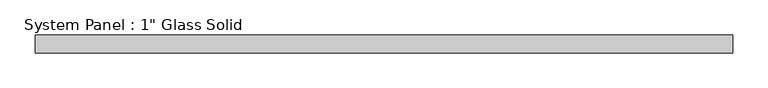
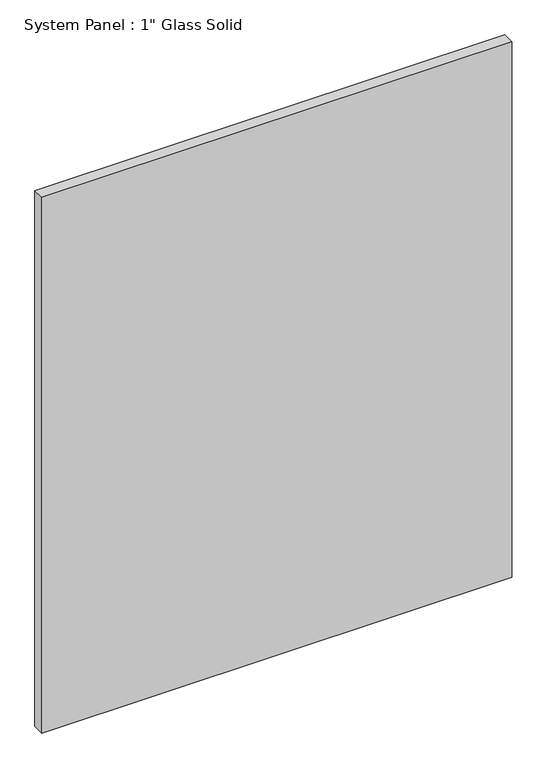
"""IFC4 building model written with IfcOpenShell, lengths in millimetres: plate geometry."""

from ifc_helpers import new_model, si_unit, origin, origin_with_axes, place, context, project, spatial, polyline, outline, extrude, source, transform, mapped, element, save


def plate_26517b23(model_context):
    return source(origin(), model_context, "Body", "SweptSolid", [
        extrude(outline(polyline([(495.3, -12.7), (-495.3, -12.7), (-495.3, 12.7), (495.3, 12.7), (495.3, -12.7)])), origin_with_axes(), (0.0, 0.0, 1.0), 1193.8),
    ])


if __name__ == "__main__":
    model = new_model("IFC4")
    model_context = context("Model", 3, world=origin())
    ifc_project = project(units=[si_unit("LENGTHUNIT", "METRE", prefix="MILLI")], contexts=[model_context])
    site = spatial("IfcSite", under=ifc_project)
    building = spatial("IfcBuilding", under=site)
    placement = place(None, origin())
    plate_shape = plate_26517b23(model_context)
    element("IfcPlate", 1, ObjectType="System Panel : 1\" Glass Solid", at=placement, inside=building, context=model_context, shape_type="MappedRepresentation", body=[
        mapped(plate_shape, transform((0.0, 0.0, 0.0), x_axis=(1.0, 0.0, 0.0), y_axis=(0.0, 1.0, 0.0), z_axis=(0.0, 0.0, 1.0))),
    ])
    save(model, "model.ifc")
